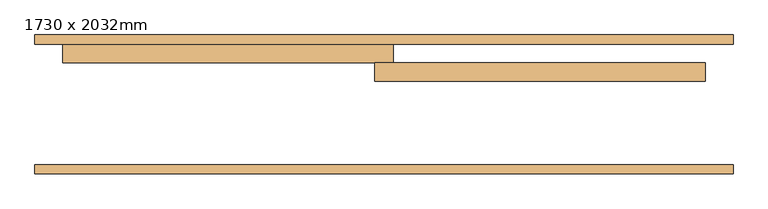
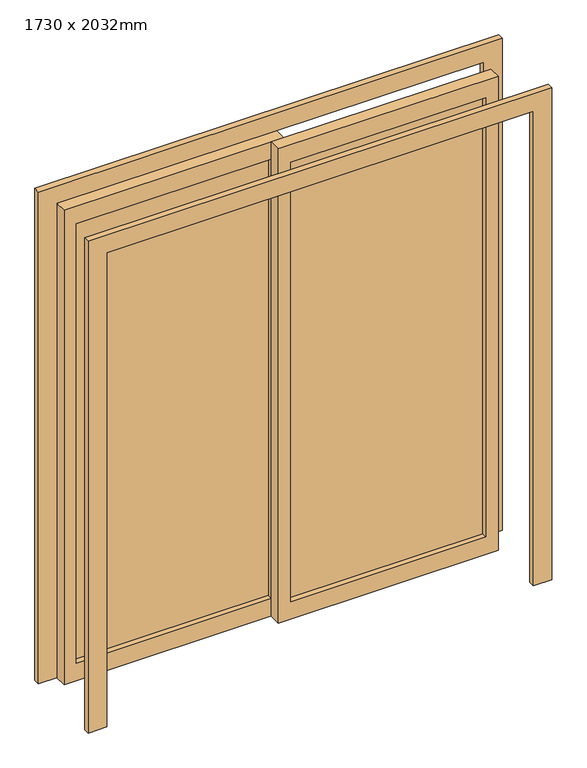
"""IFC4 building model written with IfcOpenShell, lengths in millimetres: door geometry, 1730 x 2032mm."""

from ifc_helpers import new_model, si_unit, frame, origin, place, context, project, spatial, polyline, outline, extrude, source, transform, mapped, element, save


def door_1730_x_2032mm_afad4949(model_context):
    return source(origin(), model_context, "Body", "SweptSolid", [
        extrude(outline(polyline([(25.4, 217.175), (815.0, 217.175), (815.0, 210.825), (25.4, 210.825), (25.4, 217.175)])), frame((0.0, 0.0, 75.0), z_axis=(0.0, 0.0, 1.0), x_axis=(1.0, 0.0, 0.0)), (0.0, 0.0, 1.0), 1882.0),
        extrude(outline(polyline([(2032.0, -25.4), (0.0, -25.4), (0.0, 865.0), (2032.0, 865.0), (2032.0, -25.4)]), holes=[polyline([(1957.0, 24.6), (1957.0, 815.0), (75.0, 815.0), (75.0, 24.6), (1957.0, 24.6)])]), frame((0.0, 189.0, 0.0), z_axis=(0.0, 1.0, 0.0), x_axis=(0.0, 0.0, 1.0)), (0.0, 0.0, 1.0), 50.0),
        extrude(outline(polyline([(-815.0, 267.175), (-24.6, 267.175), (-24.6, 260.825), (-815.0, 260.825), (-815.0, 267.175)])), frame((0.0, 0.0, 75.0), z_axis=(0.0, 0.0, 1.0), x_axis=(1.0, 0.0, 0.0)), (0.0, 0.0, 1.0), 1882.0),
        extrude(outline(polyline([(2032.0, 25.4), (2032.0, -865.0), (0.0, -865.0), (0.0, 25.4), (2032.0, 25.4)]), holes=[polyline([(1957.0, -24.6), (75.0, -24.6), (75.0, -815.0), (1957.0, -815.0), (1957.0, -24.6)])]), frame((0.0, 239.0, 0.0), z_axis=(0.0, 1.0, 0.0), x_axis=(0.0, 0.0, 1.0)), (0.0, 0.0, 1.0), 50.0),
        extrude(outline(polyline([(0.0, -940.0), (0.0, -865.0), (2032.0, -865.0), (2032.0, 865.0), (0.0, 865.0), (0.0, 940.0), (2107.0, 940.0), (2107.0, -940.0), (0.0, -940.0)])), frame((0.0, -60.0, 0.0), z_axis=(0.0, 1.0, 0.0), x_axis=(0.0, 0.0, 1.0)), (0.0, 0.0, 1.0), 25.0),
        extrude(outline(polyline([(0.0, 940.0), (2107.0, 940.0), (2107.0, -940.0), (0.0, -940.0), (0.0, -865.0), (2032.0, -865.0), (2032.0, 865.0), (0.0, 865.0), (0.0, 940.0)])), frame((0.0, 289.0, 0.0), z_axis=(0.0, 1.0, 0.0), x_axis=(0.0, 0.0, 1.0)), (0.0, 0.0, 1.0), 25.0),
    ])


if __name__ == "__main__":
    model = new_model("IFC4")
    model_context = context("Model", 3, world=origin())
    ifc_project = project(units=[si_unit("LENGTHUNIT", "METRE", prefix="MILLI")], contexts=[model_context])
    site = spatial("IfcSite", under=ifc_project)
    building = spatial("IfcBuilding", under=site)
    placement = place(None, origin())
    door_1730_x_2032mm_shape = door_1730_x_2032mm_afad4949(model_context)
    element("IfcDoor", 1, ObjectType="1730 x 2032mm", at=placement, inside=building, context=model_context, shape_type="MappedRepresentation", body=[
        mapped(door_1730_x_2032mm_shape, transform((0.0, 0.0, 0.0), x_axis=(1.0, 0.0, 0.0), y_axis=(0.0, 1.0, 0.0), z_axis=(0.0, 0.0, 1.0))),
    ])
    save(model, "model.ifc")
